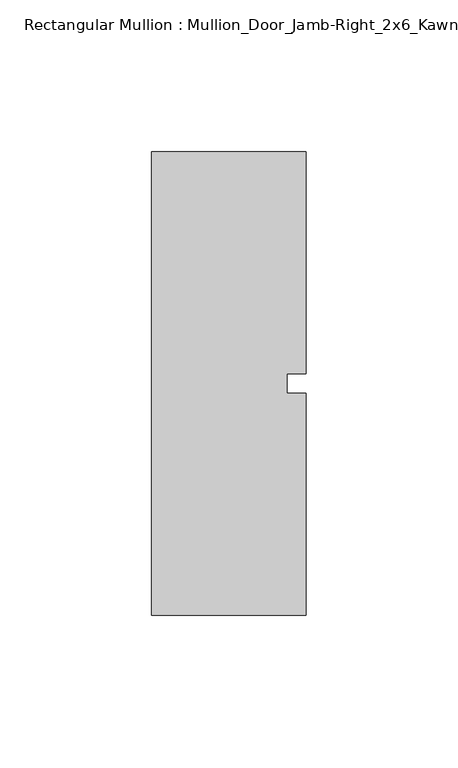
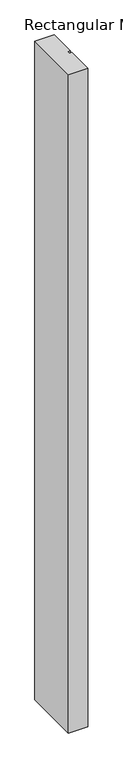
"""IFC4 building model written with IfcOpenShell, lengths in millimetres: member geometry, Rectangular Mullion : Mullion_Door_Jamb-Right_2x6_Kawneer."""

import ifcopenshell
import ifcopenshell.guid

model = None  # the IFC model being written
_history = None  # IfcOwnerHistory: only IFC2X3 demands one
_inside = {}  # id of a spatial element -> (the spatial element, [elements in it])
_under = {}  # id of a project, library or spatial element -> (it, [spatial elements below it])
_declared = {}  # id of a project -> (the project, [libraries it declares])
_typed = {}  # id of a type object -> (the type object, [elements of that type])
_made_of = {}  # id of a material, layer set ... -> (it, [elements and type objects made of it])


def new_model(schema):
    """Start an empty IFC model of exactly this schema.

    Asked for "IFC4X3", IfcOpenShell would pick the latest addendum, in which some entities
    have other attributes; the version numbers below select the first issue.
    IFC2X3 requires an IfcOwnerHistory on every rooted entity: one is made here for all.
    """
    global model, _history
    if schema == "IFC4X3":
        model = ifcopenshell.file(schema_version=(4, 3, 0, 0))
    else:
        model = ifcopenshell.file(schema=schema)
    _inside.clear()
    _under.clear()
    _declared.clear()
    _typed.clear()
    _made_of.clear()
    _history = None
    if model.schema == "IFC2X3":
        org = make("IfcOrganization", Name="unknown")
        user = make(
            "IfcPersonAndOrganization",
            ThePerson=make("IfcPerson", FamilyName="unknown"),
            TheOrganization=org,
        )
        app = make(
            "IfcApplication",
            ApplicationDeveloper=org,
            Version="unknown",
            ApplicationFullName="unknown",
            ApplicationIdentifier="unknown",
        )
        _history = make(
            "IfcOwnerHistory",
            OwningUser=user,
            OwningApplication=app,
            ChangeAction="ADDED",
            CreationDate=0,
        )
    return model


def make(cls, **values):
    """One entity of the class cls with the attributes given. An attribute that is None is left unset."""
    return model.create_entity(
        cls, **{name: value for name, value in values.items() if value is not None}
    )


def rooted(cls, **values):
    """An entity with a GlobalId (a new one), such as an element, a storey or a relation."""
    return make(cls, GlobalId=ifcopenshell.guid.new(), OwnerHistory=_history, **values)


def si_unit(unit_type, name, prefix=None):
    """IfcSIUnit, for example si_unit("LENGTHUNIT", "METRE", prefix="MILLI")."""
    return make("IfcSIUnit", UnitType=unit_type, Prefix=prefix, Name=name)


def assignment(units):
    """IfcUnitAssignment: the units of a project."""
    return None if units is None else make("IfcUnitAssignment", Units=units)


def point(xyz):
    """IfcCartesianPoint."""
    return None if xyz is None else make("IfcCartesianPoint", Coordinates=xyz)


def direction(xyz):
    """IfcDirection."""
    return None if xyz is None else make("IfcDirection", DirectionRatios=xyz)


def frame(location, z_axis=None, x_axis=None):
    """IfcAxis2Placement3D, a coordinate frame: its origin and axes. An axis left out is left unset."""
    return make(
        "IfcAxis2Placement3D",
        Location=point(location),
        Axis=direction(z_axis),
        RefDirection=direction(x_axis),
    )


def origin():
    """The frame at (0, 0, 0) with its axes left unset."""
    return frame((0.0, 0.0, 0.0))


def place(relative_to, where):
    """IfcLocalPlacement: puts the frame where relative to a parent placement (None: the world)."""
    return make(
        "IfcLocalPlacement", PlacementRelTo=relative_to, RelativePlacement=where
    )


def context(
    kind, dimensions, precision=None, world=None, true_north=None, identifier=None
):
    """IfcGeometricRepresentationContext, for example the 3D "Model" context."""
    return make(
        "IfcGeometricRepresentationContext",
        ContextIdentifier=identifier,
        ContextType=kind,
        CoordinateSpaceDimension=dimensions,
        Precision=precision,
        WorldCoordinateSystem=world,
        TrueNorth=true_north,
    )


def project(units=None, contexts=None):
    """IfcProject with its units and contexts."""
    return rooted(
        "IfcProject",
        Name="project",
        RepresentationContexts=contexts,
        UnitsInContext=assignment(units),
    )


def spatial(cls, under=None, at=None, **own):
    """A site, building, storey or space (cls), placed at a placement, below another one or the project."""
    s = rooted(cls, ObjectPlacement=at, **own)
    if under is not None:
        _under.setdefault(under.id(), (under, []))[1].append(s)
    return s


def polyline(points):
    """IfcPolyline through the points."""
    return make("IfcPolyline", Points=[point(p) for p in points])


def outline(outer, holes=None, kind="AREA"):
    """IfcArbitraryClosedProfileDef: a profile drawn as a closed curve; with holes, ...WithVoids."""
    if holes is None:
        return make("IfcArbitraryClosedProfileDef", ProfileType=kind, OuterCurve=outer)
    return make(
        "IfcArbitraryProfileDefWithVoids",
        ProfileType=kind,
        OuterCurve=outer,
        InnerCurves=holes,
    )


def extrude(swept, where, along, depth):
    """IfcExtrudedAreaSolid: the profile swept, set in the frame where, extruded along a direction by depth."""
    return make(
        "IfcExtrudedAreaSolid",
        SweptArea=swept,
        Position=where,
        ExtrudedDirection=direction(along),
        Depth=depth,
    )


def shape(context_of_items, identifier, shape_type, items):
    """IfcShapeRepresentation: the items that make up one representation, for example the "Body"."""
    return make(
        "IfcShapeRepresentation",
        ContextOfItems=context_of_items,
        RepresentationIdentifier=identifier,
        RepresentationType=shape_type,
        Items=items,
    )


def source(mapping_origin, context_of_items, identifier, shape_type, items):
    """IfcRepresentationMap: a shape defined once, which mapped items show again and again."""
    return make(
        "IfcRepresentationMap",
        MappingOrigin=mapping_origin,
        MappedRepresentation=shape(context_of_items, identifier, shape_type, items),
    )


def transform(
    local_origin,
    x_axis=None,
    y_axis=None,
    z_axis=None,
    scale=None,
    scale2=None,
    scale3=None,
    uniform=True,
):
    """IfcCartesianTransformationOperator3D, or its non-uniform kind. x_axis, y_axis, z_axis: its Axis1, 2, 3."""
    if uniform:
        return make(
            "IfcCartesianTransformationOperator3D",
            Axis1=direction(x_axis),
            Axis2=direction(y_axis),
            LocalOrigin=point(local_origin),
            Scale=scale,
            Axis3=direction(z_axis),
        )
    return make(
        "IfcCartesianTransformationOperator3DnonUniform",
        Axis1=direction(x_axis),
        Axis2=direction(y_axis),
        LocalOrigin=point(local_origin),
        Scale=scale,
        Axis3=direction(z_axis),
        Scale2=scale2,
        Scale3=scale3,
    )


def mapped(mapping_source, mapping_target):
    """IfcMappedItem: shows the shape of a source again, moved by a transform."""
    return make(
        "IfcMappedItem", MappingSource=mapping_source, MappingTarget=mapping_target
    )


def made_of(thing, what):
    """Note that an element or type object is made of a material, layer set ...; save() writes the relation."""
    if what is not None:
        _made_of.setdefault(what.id(), (what, []))[1].append(thing)
    return thing


def element(
    cls,
    number,
    at=None,
    inside=None,
    cuts=None,
    type_object=None,
    material=None,
    context=None,
    identifier="Body",
    shape_type=None,
    held_by="IfcProductDefinitionShape",
    body=None,
    shapes=None,
    **own,
):
    """One element of the class cls, such as IfcWall. Its Tag is "e" and its number.

    at: its placement. inside: the storey or other place that contains it. cuts: it is an
    opening in that element (IfcRelVoidsElement). A single representation is given by context,
    identifier, shape_type and body (its items); several are given by shapes. held_by: the class
    of the entity that holds the representations. save() writes the other relations.
    """
    e = rooted(cls, Tag="e%d" % number, ObjectPlacement=at, **own)
    if body is not None:
        shapes = [shape(context, identifier, shape_type, body)]
    if shapes is not None:
        e.Representation = make(held_by, Representations=shapes)
    if inside is not None:
        _inside.setdefault(inside.id(), (inside, []))[1].append(e)
    if cuts is not None:
        rooted(
            "IfcRelVoidsElement", RelatingBuildingElement=cuts, RelatedOpeningElement=e
        )
    if type_object is not None:
        _typed.setdefault(type_object.id(), (type_object, []))[1].append(e)
    return made_of(e, material)


def aggregate(whole, parts):
    """IfcRelAggregates: a whole, such as a stair, and the parts it consists of."""
    return rooted("IfcRelAggregates", RelatingObject=whole, RelatedObjects=parts)


def save(model, path):
    """Write the relations noted so far, then the file.

    IfcRelAggregates (storeys below a building ...), IfcRelContainedInSpatialStructure (elements
    in a storey), IfcRelDefinesByType, IfcRelAssociatesMaterial and IfcRelDeclares: one each for
    every whole, place, type object, material and project.
    """
    for whole, parts in _under.values():
        aggregate(whole, parts)
    for where, things in _inside.values():
        rooted(
            "IfcRelContainedInSpatialStructure",
            RelatedElements=things,
            RelatingStructure=where,
        )
    for kind, things in _typed.values():
        rooted("IfcRelDefinesByType", RelatedObjects=things, RelatingType=kind)
    for what, things in _made_of.values():
        rooted("IfcRelAssociatesMaterial", RelatedObjects=things, RelatingMaterial=what)
    for by, libraries in _declared.values():
        rooted("IfcRelDeclares", RelatingContext=by, RelatedDefinitions=libraries)
    model.write(path)


def rectangular_mullion_mullion_door_jamb_right_2x6_kawneer_7da67c02(model_context):
    return source(origin(), model_context, "Body", "SweptSolid", [
        extrude(outline(polyline([(25.4, 76.2), (25.4, 3.175), (19.05, 3.175), (19.05, -3.175), (25.4, -3.175), (25.4, -76.2), (-25.4, -76.2), (-25.4, 76.2), (25.4, 76.2)])), frame((0.0, 0.0, -1828.8), z_axis=(0.0, 0.0, 1.0), x_axis=(1.0, 0.0, 0.0)), (0.0, 0.0, 1.0), 1828.8),
    ])


if __name__ == "__main__":
    model = new_model("IFC4")
    model_context = context("Model", 3, world=origin())
    ifc_project = project(units=[si_unit("LENGTHUNIT", "METRE", prefix="MILLI")], contexts=[model_context])
    site = spatial("IfcSite", under=ifc_project)
    building = spatial("IfcBuilding", under=site)
    placement = place(None, origin())
    rectangular_mullion_mullion_door_jamb_right_2x6_kawneer_shape = rectangular_mullion_mullion_door_jamb_right_2x6_kawneer_7da67c02(model_context)
    element("IfcMember", 1, ObjectType="Rectangular Mullion : Mullion_Door_Jamb-Right_2x6_Kawneer", at=placement, inside=building, context=model_context, shape_type="MappedRepresentation", body=[
        mapped(rectangular_mullion_mullion_door_jamb_right_2x6_kawneer_shape, transform((0.0, 0.0, 0.0), x_axis=(1.0, 0.0, 0.0), y_axis=(0.0, 1.0, 0.0), z_axis=(0.0, 0.0, 1.0))),
    ])
    save(model, "model.ifc")
